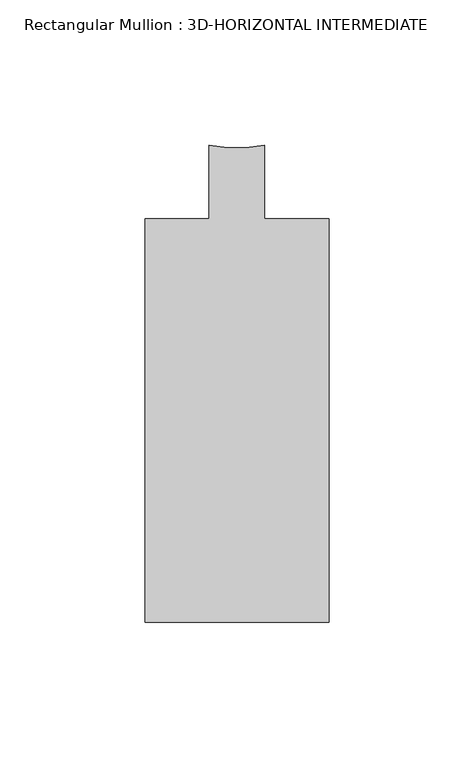
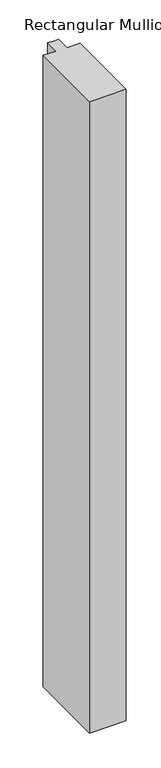
"""IFC4 building model written with IfcOpenShell, lengths in millimetres: member geometry, Rectangular Mullion : 3D-HORIZONTAL INTERMEDIATE."""

from ifc_helpers import new_model, si_unit, point, frame, frame_2d, origin, place, context, project, spatial, polyline, circle_curve, trimmed, segment, composite_curve, outline, extrude, source, transform, mapped, element, save


def rectangular_mullion_3d_horizontal_intermediate_08001309(model_context):
    return source(origin(), model_context, "Body", "SweptSolid", [
        extrude(outline(composite_curve([segment(polyline([(-31.75, -27.8368125), (-9.5251132, -27.8368125), (-9.5251132, -2.4368125)]), True, "CONTINUOUS"), segment(trimmed(circle_curve(frame_2d((0.0, 38.2587718)), 41.7954347), [point((-9.5251132, -2.4368125))], [point((9.5251132, -2.4368125))], True, "CARTESIAN"), True, "CONTINUOUS"), segment(polyline([(9.5251132, -2.4368125), (9.5251132, -27.8368125), (31.75, -27.8368125), (31.75, -167.0288125), (-31.75, -167.0288125), (-31.75, -27.8368125)]), True, "CONTINUOUS")], self_intersect=False)), frame((0.0, 0.0, -1155.7), z_axis=(0.0, 0.0, 1.0), x_axis=(1.0, 0.0, 0.0)), (0.0, 0.0, 1.0), 1155.7),
    ])


if __name__ == "__main__":
    model = new_model("IFC4")
    model_context = context("Model", 3, world=origin())
    ifc_project = project(units=[si_unit("LENGTHUNIT", "METRE", prefix="MILLI")], contexts=[model_context])
    site = spatial("IfcSite", under=ifc_project)
    building = spatial("IfcBuilding", under=site)
    placement = place(None, origin())
    rectangular_mullion_3d_horizontal_intermediate_shape = rectangular_mullion_3d_horizontal_intermediate_08001309(model_context)
    element("IfcMember", 1, ObjectType="Rectangular Mullion : 3D-HORIZONTAL INTERMEDIATE", at=placement, inside=building, context=model_context, shape_type="MappedRepresentation", body=[
        mapped(rectangular_mullion_3d_horizontal_intermediate_shape, transform((0.0, 0.0, 0.0), x_axis=(1.0, 0.0, 0.0), y_axis=(0.0, 1.0, 0.0), z_axis=(0.0, 0.0, 1.0))),
    ])
    save(model, "model.ifc")
